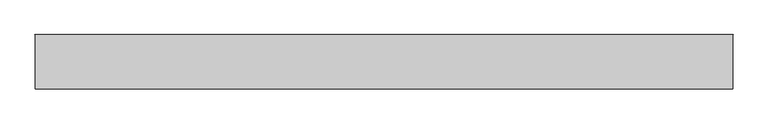
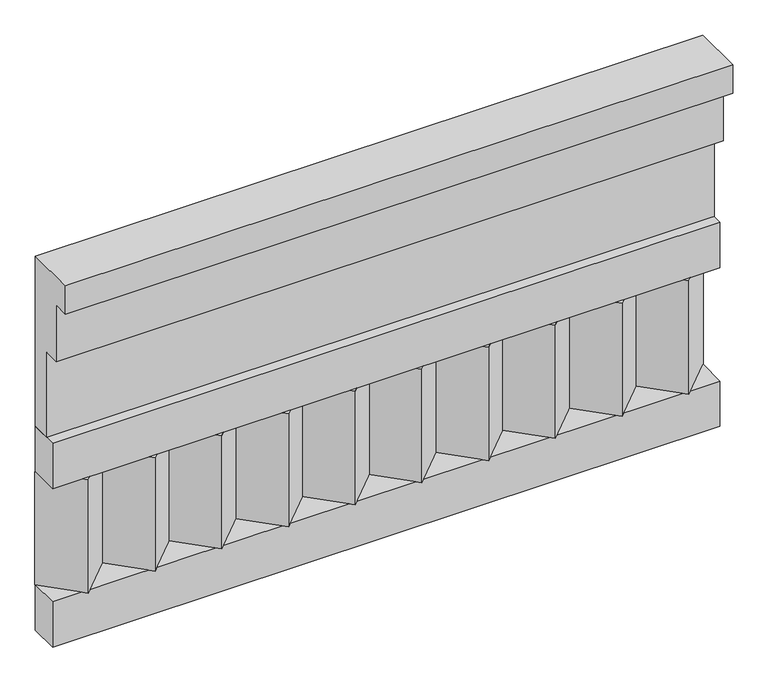
"""IFC4 building model written with IfcOpenShell, lengths in millimetres: railing geometry."""

from ifc_helpers import new_model, si_unit, frame, origin, place, context, project, spatial, polyline, outline, extrude, source, transform, mapped, element, save


def railing_4f2ae9a5(model_context):
    return source(origin(), model_context, "Body", "SweptSolid", [
        extrude(outline(polyline([(-16816.8920513, 15200.0), (-16816.8920513, 14750.0), (-16866.8920513, 14750.0), (-16866.8920513, 14975.0), (-16906.8920513, 14975.0), (-16906.8920513, 15125.0), (-16946.8920513, 15125.0), (-16946.8920513, 15200.0), (-16816.8920513, 15200.0)])), frame((29560.0112841, 0.0, 0.0), z_axis=(1.0, 0.0, 0.0), x_axis=(0.0, 1.0, 0.0)), (0.0, 0.0, 1.0), 1670.0),
        extrude(outline(polyline([(29560.0112841, -16891.8920513), (29560.0112841, -16816.8920513), (31230.0112841, -16816.8920513), (31230.0112841, -16891.8920513), (29560.0112841, -16891.8920513)])), frame((0.0, 0.0, 14630.0), z_axis=(0.0, 0.0, 1.0), x_axis=(1.0, 0.0, 0.0)), (0.0, 0.0, 1.0), 120.0),
        extrude(outline(polyline([(29560.0112841, -16891.8920513), (29560.0112841, -16816.8920513), (31230.0112841, -16816.8920513), (31230.0112841, -16891.8920513), (29560.0112841, -16891.8920513)])), frame((0.0, 0.0, 14210.0), z_axis=(0.0, 0.0, 1.0), x_axis=(1.0, 0.0, 0.0)), (0.0, 0.0, 1.0), 120.0),
        extrude(outline(polyline([(31146.5112841, -16901.7448651), (31061.6584704, -16816.8920513), (31231.3640978, -16816.8920513), (31146.5112841, -16901.7448651)])), frame((0.0, 0.0, 14330.0), z_axis=(0.0, 0.0, 1.0), x_axis=(1.0, 0.0, 0.0)), (0.0, 0.0, 1.0), 300.0),
        extrude(outline(polyline([(30979.5112841, -16901.7448651), (30894.6584704, -16816.8920513), (31064.3640978, -16816.8920513), (30979.5112841, -16901.7448651)])), frame((0.0, 0.0, 14330.0), z_axis=(0.0, 0.0, 1.0), x_axis=(1.0, 0.0, 0.0)), (0.0, 0.0, 1.0), 300.0),
        extrude(outline(polyline([(30812.5112841, -16901.7448651), (30727.6584704, -16816.8920513), (30897.3640978, -16816.8920513), (30812.5112841, -16901.7448651)])), frame((0.0, 0.0, 14330.0), z_axis=(0.0, 0.0, 1.0), x_axis=(1.0, 0.0, 0.0)), (0.0, 0.0, 1.0), 300.0),
        extrude(outline(polyline([(30645.5112841, -16901.7448651), (30560.6584704, -16816.8920513), (30730.3640978, -16816.8920513), (30645.5112841, -16901.7448651)])), frame((0.0, 0.0, 14330.0), z_axis=(0.0, 0.0, 1.0), x_axis=(1.0, 0.0, 0.0)), (0.0, 0.0, 1.0), 300.0),
        extrude(outline(polyline([(30478.5112841, -16901.7448651), (30393.6584704, -16816.8920513), (30563.3640978, -16816.8920513), (30478.5112841, -16901.7448651)])), frame((0.0, 0.0, 14330.0), z_axis=(0.0, 0.0, 1.0), x_axis=(1.0, 0.0, 0.0)), (0.0, 0.0, 1.0), 300.0),
        extrude(outline(polyline([(30311.5112841, -16901.7448651), (30226.6584704, -16816.8920513), (30396.3640978, -16816.8920513), (30311.5112841, -16901.7448651)])), frame((0.0, 0.0, 14330.0), z_axis=(0.0, 0.0, 1.0), x_axis=(1.0, 0.0, 0.0)), (0.0, 0.0, 1.0), 300.0),
        extrude(outline(polyline([(30144.5112841, -16901.7448651), (30059.6584704, -16816.8920513), (30229.3640978, -16816.8920513), (30144.5112841, -16901.7448651)])), frame((0.0, 0.0, 14330.0), z_axis=(0.0, 0.0, 1.0), x_axis=(1.0, 0.0, 0.0)), (0.0, 0.0, 1.0), 300.0),
        extrude(outline(polyline([(29977.5112841, -16901.7448651), (29892.6584704, -16816.8920513), (30062.3640978, -16816.8920513), (29977.5112841, -16901.7448651)])), frame((0.0, 0.0, 14330.0), z_axis=(0.0, 0.0, 1.0), x_axis=(1.0, 0.0, 0.0)), (0.0, 0.0, 1.0), 300.0),
        extrude(outline(polyline([(29810.5112841, -16901.7448651), (29725.6584704, -16816.8920513), (29895.3640978, -16816.8920513), (29810.5112841, -16901.7448651)])), frame((0.0, 0.0, 14330.0), z_axis=(0.0, 0.0, 1.0), x_axis=(1.0, 0.0, 0.0)), (0.0, 0.0, 1.0), 300.0),
        extrude(outline(polyline([(29643.5112841, -16901.7448651), (29558.6584704, -16816.8920513), (29728.3640978, -16816.8920513), (29643.5112841, -16901.7448651)])), frame((0.0, 0.0, 14330.0), z_axis=(0.0, 0.0, 1.0), x_axis=(1.0, 0.0, 0.0)), (0.0, 0.0, 1.0), 300.0),
    ])


if __name__ == "__main__":
    model = new_model("IFC4")
    model_context = context("Model", 3, world=origin())
    ifc_project = project(units=[si_unit("LENGTHUNIT", "METRE", prefix="MILLI")], contexts=[model_context])
    site = spatial("IfcSite", under=ifc_project)
    building = spatial("IfcBuilding", under=site)
    placement = place(None, origin())
    railing_shape = railing_4f2ae9a5(model_context)
    element("IfcRailing", 1, at=placement, inside=building, context=model_context, shape_type="MappedRepresentation", body=[
        mapped(railing_shape, transform((0.0, 0.0, 0.0), x_axis=(1.0, 0.0, 0.0), y_axis=(0.0, 1.0, 0.0), z_axis=(0.0, 0.0, 1.0))),
    ])
    save(model, "model.ifc")
